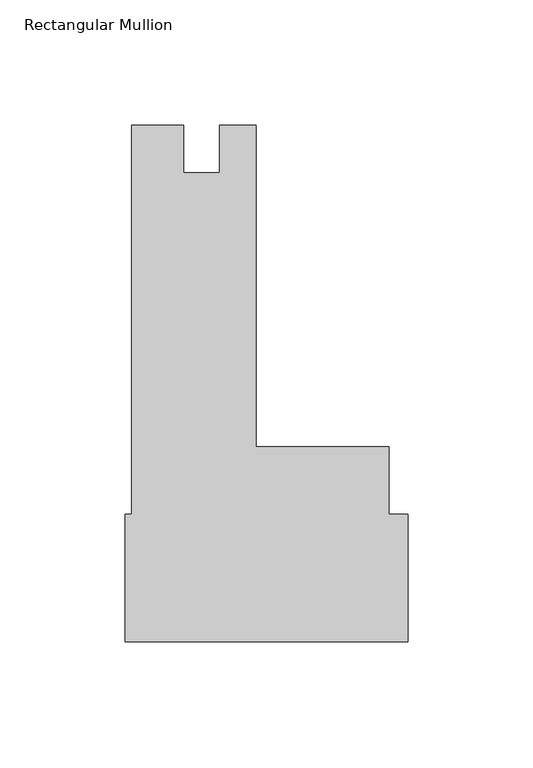
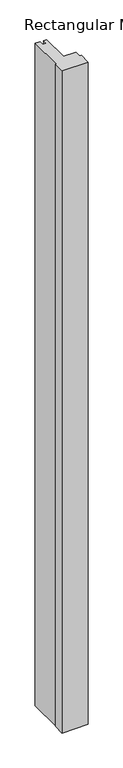
"""IFC4 building model written with IfcOpenShell, lengths in millimetres: member geometry, Rectangular Mullion."""

from ifc_helpers import new_model, si_unit, frame, origin, place, context, project, spatial, polyline, outline, extrude, source, transform, mapped, element, save


def rectangular_mullion_13b65b34(model_context):
    return source(origin(), model_context, "Body", "SweptSolid", [
        extrude(outline(polyline([(-113.07572, -76.2254013), (-110.5084135, -76.2254013), (-110.5084135, 79.3495987), (-89.6296069, 79.3495987), (-89.6296069, 60.325), (-75.3167135, 60.325), (-75.3167135, 79.3496), (-60.7244135, 79.3496), (-60.7244135, -49.2506013), (-7.545705, -49.2506013), (-7.545705, -76.2254013), (0.0, -76.2254013), (0.0, -127.0254013), (-113.07572, -127.0254013), (-113.07572, -76.2254013)])), frame((0.0, 0.0, -3048.0), z_axis=(0.0, 0.0, 1.0), x_axis=(1.0, 0.0, 0.0)), (0.0, 0.0, 1.0), 3048.0),
    ])


if __name__ == "__main__":
    model = new_model("IFC4")
    model_context = context("Model", 3, world=origin())
    ifc_project = project(units=[si_unit("LENGTHUNIT", "METRE", prefix="MILLI")], contexts=[model_context])
    site = spatial("IfcSite", under=ifc_project)
    building = spatial("IfcBuilding", under=site)
    placement = place(None, origin())
    rectangular_mullion_shape = rectangular_mullion_13b65b34(model_context)
    element("IfcMember", 1, ObjectType="Rectangular Mullion", at=placement, inside=building, context=model_context, shape_type="MappedRepresentation", body=[
        mapped(rectangular_mullion_shape, transform((0.0, 0.0, 0.0), x_axis=(1.0, 0.0, 0.0), y_axis=(0.0, 1.0, 0.0), z_axis=(0.0, 0.0, 1.0))),
    ])
    save(model, "model.ifc")
